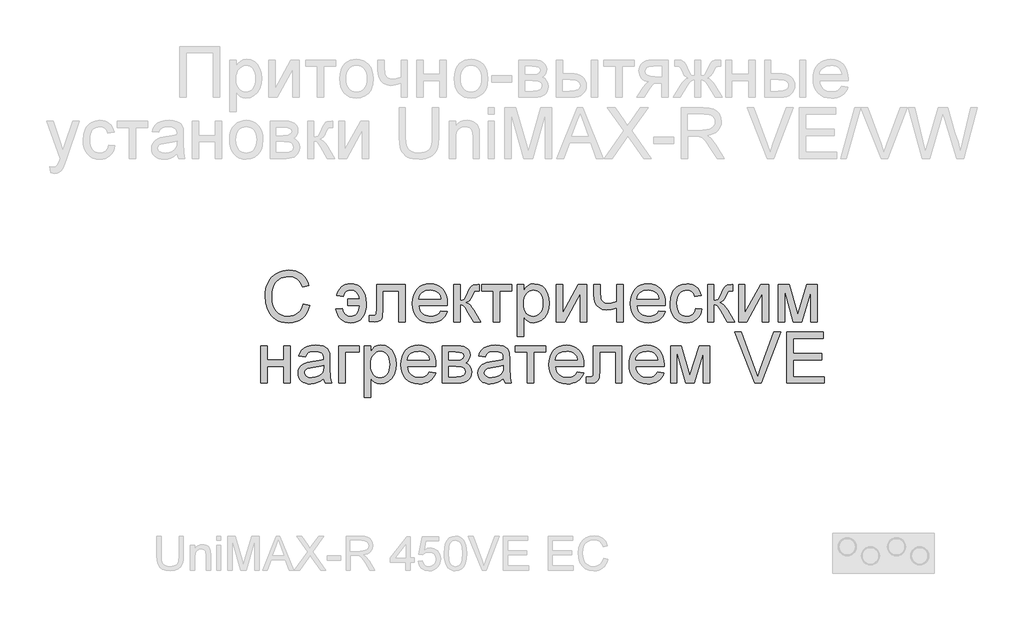
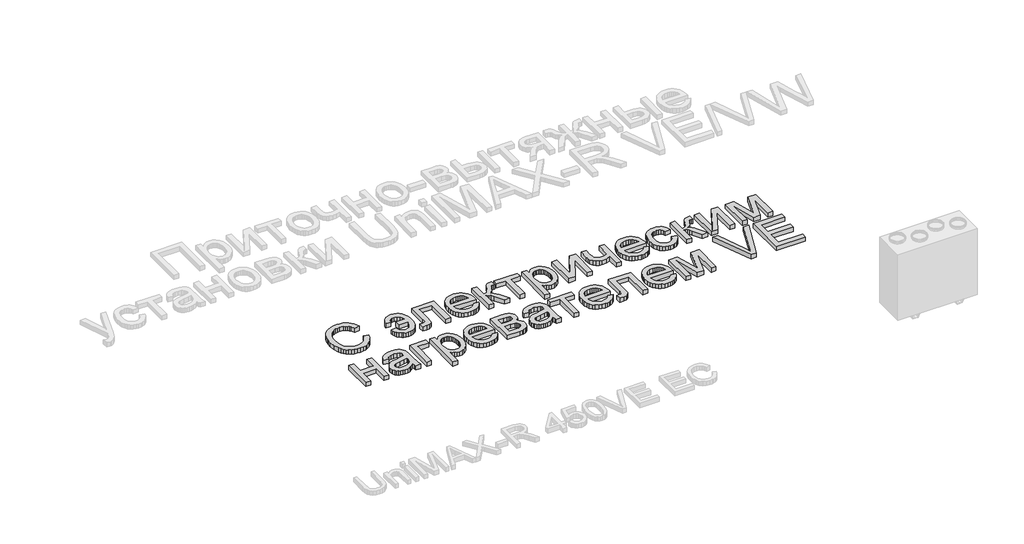
# One storey, part 49 of 74: 1 proxy.
"""IFC4 building model written with IfcOpenShell, lengths in millimetres."""

from ifc_helpers import new_model, si_unit, origin, origin_with_axes, place, context, project, spatial, polyline, outline, extrude, element, save

model = new_model("IFC4")

# Units and contexts
model_context = context("Model", 3, world=origin())
ifc_project = project(units=[si_unit("LENGTHUNIT", "METRE", prefix="MILLI")], contexts=[model_context])

# Site, building, storey
site = spatial("IfcSite", under=ifc_project)
building = spatial("IfcBuilding", under=site)
storey = spatial("IfcBuildingStorey", under=building, Elevation=0.0)

# Proxy
placement = place(None, origin())
element("IfcBuildingElementProxy", 1, Name="Generic Models", at=placement, inside=storey, context=model_context, shape_type="SweptSolid", body=[
    extrude(outline(polyline([(46357.0229457, -25678.9298031), (46413.2299636, -25693.4206749), (46402.107945, -25728.3751002), (46387.2945965, -25758.9177687), (46368.7899178, -25785.0486803), (46346.5939092, -25806.7678349), (46321.2074387, -25823.8419516), (46293.1313747, -25836.0377492), (46262.3657169, -25843.3552278), (46228.9104656, -25845.7943874), (46194.6352999, -25843.9487223), (46163.7152649, -25838.4117273), (46136.1503609, -25829.1834022), (46111.9405876, -25816.2637471), (46090.7531766, -25799.8448758), (46072.2553592, -25780.1189021), (46056.4471354, -25757.0858261), (46043.3285053, -25730.7456477), (46025.6677553, -25672.699826), (46019.7808386, -25610.5372794), (46021.4446816, -25576.6360495), (46026.4362106, -25544.9715735), (46034.7554256, -25515.5438514), (46046.4023266, -25488.3528832), (46061.1161876, -25463.848078), (46078.6362828, -25442.4788449), (46098.9626122, -25424.2451841), (46122.0951758, -25409.1470953), (46147.2483652, -25397.3080805), (46173.6365721, -25388.8516414), (46201.2597964, -25383.7777779), (46230.1180382, -25382.0864901), (46262.2662294, -25384.2752155), (46291.7454106, -25390.8413918), (46318.5555818, -25401.7850189), (46342.6967429, -25417.1060969), (46363.770944, -25436.3998145), (46381.380235, -25459.2613603), (46395.5246157, -25485.6907344), (46406.2040863, -25515.6879368), (46349.9970685, -25529.0810153), (46330.5112371, -25488.0921573), (46318.0924502, -25472.4245883), (46303.8897492, -25459.9749259), (46287.8207995, -25450.4893056), (46269.8032667, -25443.7138624), (46227.9224516, -25438.2935079), (46202.7075113, -25439.7961125), (46179.6469905, -25444.3039263), (46158.740889, -25451.8169494), (46139.9892069, -25462.3351816), (46123.6286558, -25475.3851996), (46109.8959476, -25490.4935802), (46098.791082, -25507.6603232), (46090.3140593, -25526.8854286), (46079.5694072, -25568.0252332), (46075.9878565, -25610.4275001), (46080.2280832, -25662.353124), (46092.9487632, -25707.2528707), (46102.6093444, -25726.6392146), (46114.6301812, -25743.4114381), (46129.0112737, -25757.5695413), (46145.7526218, -25769.1135241), (46183.0638722, -25784.4689082), (46223.3117197, -25789.5873695), (46247.7479128, -25787.8446226), (46270.2286616, -25782.6163819), (46290.753966, -25773.9026475), (46309.3238261, -25761.7034192), (46325.4991245, -25746.0735869), (46338.8407439, -25727.0680401), (46349.3486843, -25704.6867788), (46357.0229457, -25678.9298031)])), origin_with_axes(), (0.0, 0.0, 1.0), 50.0),
    extrude(outline(polyline([(46750.4720707, -25635.0180704), (46855.8602292, -25635.0180704), (46847.2013844, -25603.8819074), (46830.4463139, -25579.1952802), (46806.692811, -25563.0988857), (46777.038669, -25557.7334209), (46751.4600847, -25561.2463595), (46731.4802463, -25571.7851753), (46717.0991538, -25589.3498684), (46708.3168073, -25613.9404387), (46652.1097895, -25606.9145615), (46657.1150409, -25584.7562895), (46665.2146972, -25564.7181308), (46676.4087584, -25546.8000855), (46690.6972246, -25531.0021536), (46707.7576188, -25518.1065127), (46727.2674644, -25508.8953407), (46749.2267614, -25503.3686374), (46773.6355097, -25501.526403), (46804.0066479, -25504.394388), (46831.0089329, -25512.9983432), (46854.6423647, -25527.3382684), (46874.9069432, -25547.4141637), (46891.1645761, -25572.5124634), (46902.7771711, -25601.9196019), (46909.744728, -25635.6355791), (46912.067247, -25673.6603952), (46910.5886566, -25711.2735387), (46904.3964162, -25745.0718505), (46893.4905257, -25775.0553305), (46877.8709852, -25801.2239787), (46858.045524, -25822.2055534), (46834.5218716, -25836.6278132), (46807.3000279, -25844.4907578), (46776.379993, -25845.7943874), (46750.1427327, -25843.7394555), (46726.5401764, -25837.5746599), (46705.572324, -25827.3000006), (46687.2391756, -25812.9154775), (46671.8426243, -25795.1758236), (46659.6845633, -25774.8357718), (46650.7649926, -25751.8953221), (46645.0839122, -25726.3544744), (46701.2909301, -25719.3285972), (46710.1693335, -25750.0668101), (46725.4972727, -25772.0226764), (46747.2747477, -25785.1961962), (46775.5017583, -25789.5873695), (46792.359747, -25788.0504589), (46807.25543, -25783.4397269), (46820.1888076, -25775.7551737), (46831.1598795, -25764.9967992), (46847.3248861, -25734.2585863), (46855.8602292, -25691.2250883), (46750.4720707, -25691.2250883), (46750.4720707, -25635.0180704)])), origin_with_axes(), (0.0, 0.0, 1.0), 50.0),
    extrude(outline(polyline([(47003.403651, -25508.5522802), (47256.3352314, -25508.5522802), (47256.3352314, -25838.4391721), (47200.1282135, -25838.4391721), (47200.1282135, -25564.7592981), (47059.6106689, -25564.7592981), (47059.6106689, -25722.2926391), (47055.8232819, -25794.9665568), (47048.7287926, -25811.4197341), (47035.0200986, -25825.64988), (47014.2169152, -25835.4888526), (46985.8389579, -25838.7685101), (46940.1707559, -25835.9142475), (46940.1707559, -25782.5614923), (46965.3102229, -25782.5614923), (46990.7241382, -25779.1034433), (46997.077617, -25774.6299356), (47000.8787264, -25768.1255101), (47003.403651, -25719.1090385), (47003.403651, -25508.5522802)])), origin_with_axes(), (0.0, 0.0, 1.0), 50.0),
    extrude(outline(polyline([(47571.8410308, -25740.4062289), (47626.9502553, -25747.4321061), (47618.5006774, -25769.504613), (47607.0939187, -25788.9561383), (47592.7299793, -25805.7866821), (47575.4088591, -25819.9962444), (47555.3089495, -25831.2829319), (47532.6086421, -25839.3448516), (47507.3079367, -25844.1820034), (47479.4068335, -25845.7943874), (47444.531312, -25843.0121674), (47413.4568999, -25834.6655076), (47386.1835972, -25820.7544079), (47362.7114038, -25801.2788683), (47343.83622, -25776.7809243), (47330.3539458, -25747.8026114), (47322.2645813, -25714.3439294), (47319.5681264, -25676.4048785), (47322.2920261, -25637.179351), (47330.4637251, -25602.6057227), (47344.0832235, -25572.6839936), (47363.1505211, -25547.4141637), (47386.5609636, -25527.3382684), (47413.2098964, -25512.9983432), (47443.0973195, -25504.394388), (47476.2232328, -25501.526403), (47508.2822283, -25504.3875268), (47537.2742637, -25512.9708983), (47563.199339, -25527.2765175), (47586.0574542, -25547.3043843), (47604.71651, -25572.5193246), (47618.044407, -25602.386164), (47626.0411452, -25636.9049027), (47628.7067246, -25676.0755405), (47628.3773866, -25691.2250883), (47375.7751443, -25691.2250883), (47379.0307876, -25713.654378), (47385.5043376, -25733.2980171), (47395.1957942, -25750.1560058), (47408.1051575, -25764.2283439), (47423.5188618, -25775.3229176), (47440.7233414, -25783.2476131), (47459.7185964, -25788.0024304), (47480.5046268, -25789.5873695), (47510.4194947, -25786.6507724), (47535.6138513, -25777.840981), (47556.0876967, -25762.6090987), (47571.8410308, -25740.4062289)]), holes=[polyline([(47375.7751443, -25635.0180704), (47572.4997068, -25635.0180704), (47564.8974881, -25605.3227612), (47549.9949438, -25584.0804605), (47534.6670046, -25572.5536306), (47517.2258132, -25564.3201808), (47497.6713698, -25559.3801108), (47476.0036742, -25557.7334209), (47438.1160823, -25562.9891064), (47406.7878055, -25578.7561629), (47394.331282, -25590.1560604), (47385.0103306, -25603.3330108), (47378.8249514, -25618.2870141), (47375.7751443, -25635.0180704)])]), origin_with_axes(), (0.0, 0.0, 1.0), 50.0),
    extrude(outline(polyline([(47684.9137425, -25508.5522802), (47741.1207603, -25508.5522802), (47741.1207603, -25649.0698249), (47763.9823062, -25646.5449002), (47778.7750711, -25638.9701263), (47791.8662564, -25619.2098466), (47809.6230633, -25580.1284045), (47823.9355437, -25548.1688966), (47835.2565373, -25529.3554636), (47845.822798, -25519.1048185), (47857.8710796, -25512.8336742), (47898.9834394, -25508.5522802), (47909.7418139, -25508.5522802), (47909.7418139, -25565.0886361), (47894.5922661, -25564.7592981), (47877.027573, -25566.2413191), (47867.1474332, -25570.687382), (47847.8262708, -25607.6830168), (47835.9563805, -25632.3421992), (47825.1568388, -25647.6975832), (47812.0793759, -25657.9482283), (47793.3757222, -25667.2931939), (47811.1874188, -25675.204167), (47828.8344464, -25689.1667258), (47846.316805, -25709.1808702), (47863.6344946, -25735.2466003), (47923.7935684, -25838.7685101), (47859.9019973, -25838.7685101), (47800.9504961, -25737.4421869), (47785.032493, -25710.4776386), (47771.3100766, -25694.5733579), (47757.4504359, -25686.7927477), (47741.1207603, -25684.199211), (47741.1207603, -25838.7685101), (47684.9137425, -25838.7685101), (47684.9137425, -25508.5522802)])), origin_with_axes(), (0.0, 0.0, 1.0), 50.0),
    extrude(outline(polyline([(47930.8194456, -25508.5522802), (48197.8027804, -25508.5522802), (48197.8027804, -25564.7592981), (48092.4146219, -25564.7592981), (48092.4146219, -25838.7685101), (48036.2076041, -25838.7685101), (48036.2076041, -25564.7592981), (47930.8194456, -25564.7592981), (47930.8194456, -25508.5522802)])), origin_with_axes(), (0.0, 0.0, 1.0), 50.0),
    extrude(outline(polyline([(48246.983921, -25965.2343003), (48246.983921, -25508.5522802), (48303.1909389, -25508.5522802), (48303.1909389, -25563.6615048), (48321.5240873, -25536.4773978), (48342.0528223, -25517.0601784), (48365.9847166, -25505.4098469), (48394.5273429, -25501.526403), (48432.5384365, -25506.9604799), (48465.7741292, -25523.2627107), (48492.8347344, -25549.4450813), (48512.3205658, -25584.5195778), (48524.0943992, -25625.9338307), (48528.0190103, -25671.1354706), (48523.5866697, -25719.2050954), (48510.2896482, -25762.1974262), (48488.5533405, -25797.9305987), (48458.8031416, -25824.2227487), (48424.15404, -25840.4014777), (48387.7210243, -25845.7943874), (48361.8817141, -25842.1853918), (48338.814332, -25831.3584052), (48319.0677747, -25815.0150072), (48303.1909389, -25794.8567774), (48303.1909389, -25965.2343003), (48246.983921, -25965.2343003)]), holes=[polyline([(48303.1909389, -25676.2950991), (48304.7106965, -25703.3831492), (48309.2699694, -25726.6838124), (48316.8687575, -25746.1970886), (48327.5070608, -25761.9229779), (48340.313506, -25774.0261492), (48354.4167195, -25782.6712716), (48369.8167014, -25787.858345), (48386.5134517, -25789.5873695), (48403.4503442, -25787.7965942), (48419.1316356, -25782.4242681), (48433.5573259, -25773.4703914), (48446.7274151, -25760.9349639), (48457.7019177, -25744.6395944), (48465.5408481, -25724.4058913), (48470.2442063, -25700.2338547), (48471.8119924, -25672.1234845), (48470.281943, -25645.2687155), (48465.6917947, -25622.0092196), (48458.0415475, -25602.3449968), (48447.3312014, -25586.2760471), (48434.4938808, -25573.7886481), (48420.46271, -25564.8690774), (48405.2376889, -25559.517335), (48388.8188176, -25557.7334209), (48372.4514054, -25559.6305449), (48357.0514235, -25565.3219172), (48342.618872, -25574.8075376), (48329.1537508, -25588.0874061), (48317.7950206, -25604.9831314), (48309.6816418, -25625.316322), (48304.8136146, -25649.0869779), (48303.1909389, -25676.2950991)])]), origin_with_axes(), (0.0, 0.0, 1.0), 50.0),
    extrude(outline(polyline([(48591.2519054, -25508.5522802), (48647.4589232, -25508.5522802), (48647.4589232, -25760.3860673), (48785.5613225, -25508.5522802), (48858.2352401, -25508.5522802), (48858.2352401, -25838.7685101), (48802.0282223, -25838.7685101), (48802.0282223, -25588.4716337), (48664.8040576, -25838.7685101), (48591.2519054, -25838.7685101), (48591.2519054, -25508.5522802)])), origin_with_axes(), (0.0, 0.0, 1.0), 50.0),
    extrude(outline(polyline([(48921.4681352, -25508.5522802), (48977.6751531, -25508.5522802), (48977.6751531, -25571.8949547), (48982.2309954, -25631.2855731), (48989.9841607, -25648.548373), (49004.131972, -25663.4509173), (49023.6726931, -25673.7427297), (49047.6045874, -25677.1733338), (49081.9929631, -25672.9193847), (49125.2185749, -25660.1575374), (49125.2185749, -25508.5522802), (49181.4255928, -25508.5522802), (49181.4255928, -25838.7685101), (49125.2185749, -25838.7685101), (49125.2185749, -25714.0591893), (49077.245007, -25728.5500611), (49032.564819, -25733.3803516), (48998.5743934, -25728.3442248), (48968.8379169, -25713.2358443), (48945.6607555, -25690.8271382), (48931.3482751, -25663.8900347), (48923.9381702, -25633.2341563), (48921.4681352, -25599.6691256), (48921.4681352, -25508.5522802)])), origin_with_axes(), (0.0, 0.0, 1.0), 50.0),
    extrude(outline(polyline([(49496.9313922, -25740.4062289), (49552.0406168, -25747.4321061), (49543.5910388, -25769.504613), (49532.1842801, -25788.9561383), (49517.8203407, -25805.7866821), (49500.4992205, -25819.9962444), (49480.399311, -25831.2829319), (49457.6990035, -25839.3448516), (49432.3982982, -25844.1820034), (49404.4971949, -25845.7943874), (49369.6216734, -25843.0121674), (49338.5472614, -25834.6655076), (49311.2739586, -25820.7544079), (49287.8017653, -25801.2788683), (49268.9265814, -25776.7809243), (49255.4443072, -25747.8026114), (49247.3549427, -25714.3439294), (49244.6584879, -25676.4048785), (49247.3823876, -25637.179351), (49255.5540866, -25602.6057227), (49269.1735849, -25572.6839936), (49288.2408826, -25547.4141637), (49311.6513251, -25527.3382684), (49338.3002579, -25512.9983432), (49368.1876809, -25504.394388), (49401.3135943, -25501.526403), (49433.3725898, -25504.3875268), (49462.3646251, -25512.9708983), (49488.2897005, -25527.2765175), (49511.1478157, -25547.3043843), (49529.8068715, -25572.5193246), (49543.1347685, -25602.386164), (49551.1315067, -25636.9049027), (49553.7970861, -25676.0755405), (49553.4677481, -25691.2250883), (49300.8655057, -25691.2250883), (49304.121149, -25713.654378), (49310.594699, -25733.2980171), (49320.2861556, -25750.1560058), (49333.1955189, -25764.2283439), (49348.6092232, -25775.3229176), (49365.8137029, -25783.2476131), (49384.8089579, -25788.0024304), (49405.5949882, -25789.5873695), (49435.5098561, -25786.6507724), (49460.7042128, -25777.840981), (49481.1780581, -25762.6090987), (49496.9313922, -25740.4062289)]), holes=[polyline([(49300.8655057, -25635.0180704), (49497.5900682, -25635.0180704), (49489.9878495, -25605.3227612), (49475.0853052, -25584.0804605), (49459.757366, -25572.5536306), (49442.3161747, -25564.3201808), (49422.7617312, -25559.3801108), (49401.0940356, -25557.7334209), (49363.2064437, -25562.9891064), (49331.878167, -25578.7561629), (49319.4216434, -25590.1560604), (49310.100692, -25603.3330108), (49303.9153128, -25618.2870141), (49300.8655057, -25635.0180704)])]), origin_with_axes(), (0.0, 0.0, 1.0), 50.0),
    extrude(outline(polyline([(49820.7804209, -25719.3285972), (49876.9874387, -25726.3544744), (49870.8741022, -25752.8764748), (49861.3164391, -25776.3452376), (49848.3144495, -25796.7607627), (49831.8681334, -25814.1230501), (49812.6704727, -25827.9792602), (49791.4144496, -25837.8765531), (49768.100064, -25843.8149288), (49742.727316, -25845.7943874), (49711.2034948, -25843.032751), (49682.9387474, -25834.7478421), (49657.933074, -25820.9396605), (49636.1864745, -25801.6082063), (49618.5840448, -25777.1171235), (49606.0108807, -25747.8300562), (49598.4669823, -25713.7470043), (49595.9523495, -25674.8679678), (49600.2474658, -25624.8497598), (49613.1328149, -25581.5006462), (49622.8482857, -25562.7455335), (49634.8142329, -25546.4947618), (49649.0306564, -25532.7483311), (49665.4975561, -25521.5062414), (49702.2050202, -25506.5213626), (49741.9588607, -25501.526403), (49766.895922, -25503.2417051), (49789.4521441, -25508.3876112), (49809.6275269, -25516.9641215), (49827.4220704, -25528.9712359), (49842.5338816, -25544.1345061), (49854.6610671, -25562.1794838), (49863.8036271, -25583.1061689), (49869.9615615, -25606.9145615), (49813.7545436, -25613.9404387), (49803.5587882, -25589.4184805), (49787.6819523, -25571.840065), (49767.0022707, -25561.2600819), (49742.397978, -25557.7334209), (49723.2998049, -25559.4693065), (49706.0747416, -25564.6769636), (49690.7227882, -25573.356392), (49677.2439446, -25585.5075918), (49666.269442, -25601.4118725), (49658.4305116, -25621.3505436), (49653.7271534, -25645.3236052), (49652.1593673, -25673.3310572), (49653.6928474, -25701.7604735), (49658.2932875, -25726.011414), (49665.9606877, -25746.0838787), (49676.695048, -25761.9778676), (49689.9063044, -25774.0570247), (49705.0043931, -25782.684994), (49721.9893141, -25787.8617756), (49740.8610674, -25789.5873695), (49769.9663127, -25785.2785307), (49793.8295949, -25772.3520144), (49811.1884518, -25750.4784826), (49820.7804209, -25719.3285972)])), origin_with_axes(), (0.0, 0.0, 1.0), 50.0),
    extrude(outline(polyline([(49926.1685793, -25508.5522802), (49982.3755972, -25508.5522802), (49982.3755972, -25649.0698249), (50005.237143, -25646.5449002), (50020.029908, -25638.9701263), (50033.1210933, -25619.2098466), (50050.8779002, -25580.1284045), (50065.1903806, -25548.1688966), (50076.5113742, -25529.3554636), (50087.0776348, -25519.1048185), (50099.1259165, -25512.8336742), (50140.2382762, -25508.5522802), (50150.9966507, -25508.5522802), (50150.9966507, -25565.0886361), (50135.847103, -25564.7592981), (50118.2824099, -25566.2413191), (50108.40227, -25570.687382), (50089.0811076, -25607.6830168), (50077.2112174, -25632.3421992), (50066.4116756, -25647.6975832), (50053.3342127, -25657.9482283), (50034.6305591, -25667.2931939), (50052.4422557, -25675.204167), (50070.0892833, -25689.1667258), (50087.5716418, -25709.1808702), (50104.8893314, -25735.2466003), (50165.0484052, -25838.7685101), (50101.1568341, -25838.7685101), (50042.205333, -25737.4421869), (50026.2873299, -25710.4776386), (50012.5649134, -25694.5733579), (49998.7052728, -25686.7927477), (49982.3755972, -25684.199211), (49982.3755972, -25838.7685101), (49926.1685793, -25838.7685101), (49926.1685793, -25508.5522802)])), origin_with_axes(), (0.0, 0.0, 1.0), 50.0),
    extrude(outline(polyline([(50200.1777914, -25508.5522802), (50256.3848092, -25508.5522802), (50256.3848092, -25760.3860673), (50394.4872086, -25508.5522802), (50467.1611262, -25508.5522802), (50467.1611262, -25838.7685101), (50410.9541083, -25838.7685101), (50410.9541083, -25588.4716337), (50273.7299436, -25838.7685101), (50200.1777914, -25838.7685101), (50200.1777914, -25508.5522802)])), origin_with_axes(), (0.0, 0.0, 1.0), 50.0),
    extrude(outline(polyline([(50551.4716529, -25508.5522802), (50648.1872442, -25508.5522802), (50722.7274105, -25772.9009111), (50803.0858813, -25508.5522802), (50895.7396373, -25508.5522802), (50895.7396373, -25838.7685101), (50839.5326194, -25838.7685101), (50839.5326194, -25572.8829686), (50758.7350313, -25838.7685101), (50684.9633203, -25838.7685101), (50607.6786708, -25560.1485662), (50607.6786708, -25838.7685101), (50551.4716529, -25838.7685101), (50551.4716529, -25508.5522802)])), origin_with_axes(), (0.0, 0.0, 1.0), 50.0),
    extrude(outline(polyline([(45981.1385138, -26048.9843634), (46037.3455317, -26048.9843634), (46037.3455317, -26175.4501536), (46184.8889536, -26175.4501536), (46184.8889536, -26048.9843634), (46241.0959714, -26048.9843634), (46241.0959714, -26379.2005933), (46184.8889536, -26379.2005933), (46184.8889536, -26231.6571714), (46037.3455317, -26231.6571714), (46037.3455317, -26379.2005933), (45981.1385138, -26379.2005933), (45981.1385138, -26048.9843634)])), origin_with_axes(), (0.0, 0.0, 1.0), 50.0),
    extrude(outline(polyline([(46536.1828151, -26337.0453299), (46509.3280461, -26360.0715447), (46481.6773769, -26375.138758), (46452.5995764, -26383.4545424), (46421.4634135, -26386.2264705), (46396.4371564, -26384.5591969), (46374.4915819, -26379.5573761), (46355.6266899, -26371.2210081), (46339.8424803, -26359.5500929), (46327.3790956, -26345.285641), (46318.4766779, -26329.1686629), (46313.1352273, -26311.1991585), (46311.3547437, -26291.3771279), (46314.0443373, -26268.0764647), (46322.1131182, -26246.9164985), (46334.55935, -26228.8029088), (46350.3812962, -26214.641375), (46368.9751705, -26203.9378902), (46389.7371866, -26196.1984473), (46438.3694305, -26187.7454387), (46495.8389107, -26178.8533129), (46535.8534771, -26168.4242764), (46536.1828151, -26155.9094325), (46532.3130937, -26130.8248552), (46520.7039294, -26114.4128451), (46494.7411174, -26102.2273393), (46458.5688276, -26098.165504), (46425.0861314, -26100.8688201), (46401.7031337, -26108.9787682), (46385.7576858, -26123.9773694), (46374.5876388, -26147.3466447), (46318.380621, -26140.3207674), (46328.1372591, -26109.5825545), (46342.6967429, -26085.4311016), (46363.4175918, -26066.960729), (46391.6583249, -26053.2657574), (46426.1976471, -26044.785304), (46465.8142635, -26041.9584862), (46503.8116347, -26044.455966), (46533.9323388, -26051.9484054), (46556.6429381, -26063.2145093), (46572.4099946, -26077.0329827), (46582.866476, -26094.1173912), (46589.6453497, -26115.1813005), (46592.389833, -26164.3624411), (46592.389833, -26234.2918754), (46595.2440956, -26331.940591), (46606.4415874, -26379.2005933), (46550.2345696, -26379.2005933), (46541.2326644, -26359.6598722), (46536.1828151, -26337.0453299)]), holes=[polyline([(46536.1828151, -26224.6312942), (46498.418725, -26233.9899822), (46445.5050871, -26241.8666493), (46397.1472915, -26250.9783338), (46384.5638356, -26257.2083109), (46375.2463148, -26265.7985436), (46369.4828999, -26276.090356), (46367.5617616, -26287.425072), (46371.7470986, -26304.1389752), (46384.3031097, -26317.8339469), (46404.9553464, -26326.9730762), (46433.4293606, -26330.0194527), (46463.6186768, -26326.6574606), (46490.2950545, -26316.5714845), (46511.9215828, -26301.7101075), (46526.9613513, -26284.0219127), (46533.6304457, -26265.7985436), (46535.8534771, -26240.5492973), (46536.1828151, -26224.6312942)])]), origin_with_axes(), (0.0, 0.0, 1.0), 50.0),
    extrude(outline(polyline([(46669.6744825, -26048.9843634), (46852.3472905, -26048.9843634), (46852.3472905, -26105.1913813), (46725.8815004, -26105.1913813), (46725.8815004, -26379.2005933), (46669.6744825, -26379.2005933), (46669.6744825, -26048.9843634)])), origin_with_axes(), (0.0, 0.0, 1.0), 50.0),
    extrude(outline(polyline([(46894.5025539, -26505.6663835), (46894.5025539, -26048.9843634), (46950.7095718, -26048.9843634), (46950.7095718, -26104.093588), (46969.0427202, -26076.9094809), (46989.5714552, -26057.4922616), (47013.5033495, -26045.84193), (47042.0459758, -26041.9584862), (47080.0570694, -26047.3925631), (47113.2927621, -26063.6947939), (47140.3533674, -26089.8771645), (47159.8391988, -26124.951661), (47171.6130321, -26166.3659139), (47175.5376432, -26211.5675537), (47171.1053027, -26259.6371786), (47157.8082811, -26302.6295094), (47136.0719734, -26338.3626819), (47106.3217745, -26364.6548318), (47071.672673, -26380.8335609), (47035.2396572, -26386.2264705), (47009.400347, -26382.617475), (46986.3329649, -26371.7904884), (46966.5864076, -26355.4470904), (46950.7095718, -26335.2888606), (46950.7095718, -26505.6663835), (46894.5025539, -26505.6663835)]), holes=[polyline([(46950.7095718, -26216.7271823), (46952.2293294, -26243.8152324), (46956.7886023, -26267.1158956), (46964.3873904, -26286.6291718), (46975.0256938, -26302.3550611), (46987.8321389, -26314.4582324), (47001.9353525, -26323.1033548), (47017.3353343, -26328.2904282), (47034.0320846, -26330.0194527), (47050.9689771, -26328.2286773), (47066.6502685, -26322.8563513), (47081.0759588, -26313.9024745), (47094.246048, -26301.3670471), (47105.2205506, -26285.0716775), (47113.059481, -26264.8379745), (47117.7628393, -26240.6659378), (47119.3306253, -26212.5555677), (47117.8005759, -26185.7007987), (47113.2104276, -26162.4413028), (47105.5601804, -26142.77708), (47094.8498344, -26126.7081303), (47082.0125138, -26114.2207313), (47067.9813429, -26105.3011606), (47052.7563219, -26099.9494182), (47036.3374505, -26098.165504), (47019.9700383, -26100.0626281), (47004.5700564, -26105.7540003), (46990.1375049, -26115.2396207), (46976.6723837, -26128.5194893), (46965.3136535, -26145.4152145), (46957.2002748, -26165.7484051), (46952.3322475, -26189.5190611), (46950.7095718, -26216.7271823)])]), origin_with_axes(), (0.0, 0.0, 1.0), 50.0),
    extrude(outline(polyline([(47469.9658109, -26280.8383121), (47525.0750355, -26287.8641893), (47516.6254575, -26309.9366962), (47505.2186988, -26329.3882215), (47490.8547594, -26346.2187653), (47473.5336392, -26360.4283276), (47453.4337297, -26371.7150151), (47430.7334223, -26379.7769348), (47405.4327169, -26384.6140866), (47377.5316136, -26386.2264705), (47342.6560922, -26383.4442506), (47311.5816801, -26375.0975908), (47284.3083773, -26361.1864911), (47260.836184, -26341.7109515), (47241.9610001, -26317.2130075), (47228.4787259, -26288.2346945), (47220.3893614, -26254.7760126), (47217.6929066, -26216.8369617), (47220.4168063, -26177.6114342), (47228.5885053, -26143.0378059), (47242.2080036, -26113.1160768), (47261.2753013, -26087.8462469), (47284.6857438, -26067.7703516), (47311.3346766, -26053.4304264), (47341.2220996, -26044.8264712), (47374.348013, -26041.9584862), (47406.4070085, -26044.81961), (47435.3990438, -26053.4029815), (47461.3241192, -26067.7086007), (47484.1822344, -26087.7364675), (47502.8412902, -26112.9514078), (47516.1691872, -26142.8182472), (47524.1659254, -26177.3369858), (47526.8315048, -26216.5076237), (47526.5021668, -26231.6571714), (47273.8999244, -26231.6571714), (47277.1555677, -26254.0864612), (47283.6291177, -26273.7301003), (47293.3205743, -26290.588089), (47306.2299376, -26304.660427), (47321.6436419, -26315.7550008), (47338.8481216, -26323.6796963), (47357.8433766, -26328.4345136), (47378.6294069, -26330.0194527), (47408.5442748, -26327.0828556), (47433.7386315, -26318.2730642), (47454.2124768, -26303.0411819), (47469.9658109, -26280.8383121)]), holes=[polyline([(47273.8999244, -26175.4501536), (47470.6244869, -26175.4501536), (47463.0222682, -26145.7548443), (47448.1197239, -26124.5125437), (47432.7917847, -26112.9857138), (47415.3505934, -26104.7522639), (47395.7961499, -26099.812194), (47374.1284543, -26098.165504), (47336.2408625, -26103.4211895), (47304.9125857, -26119.1882461), (47292.4560621, -26130.5881435), (47283.1351107, -26143.765094), (47276.9497315, -26158.7190973), (47273.8999244, -26175.4501536)])]), origin_with_axes(), (0.0, 0.0, 1.0), 50.0),
    extrude(outline(polyline([(47583.0385226, -26048.9843634), (47706.8696088, -26048.9843634), (47746.678339, -26050.8643345), (47774.7681255, -26056.5042476), (47795.4340847, -26067.1528428), (47812.971333, -26084.0588599), (47824.9510025, -26106.0833383), (47828.9442257, -26132.0873175), (47826.5290804, -26153.0414475), (47819.2836445, -26171.11387), (47807.1804732, -26186.3869195), (47790.1921216, -26198.9429306), (47810.995305, -26210.620707), (47827.9562117, -26229.4066951), (47839.2360381, -26253.818874), (47842.9959802, -26282.3752227), (47839.8741304, -26305.3808539), (47833.4726232, -26325.2166069), (47823.7914583, -26341.8824817), (47810.830636, -26355.3784783), (47794.5695725, -26365.8006536), (47774.9876842, -26373.2450646), (47752.0849711, -26377.7117111), (47725.8614332, -26379.2005933), (47583.0385226, -26379.2005933), (47583.0385226, -26048.9843634)]), holes=[polyline([(47639.2455405, -26175.4501536), (47694.7938823, -26175.4501536), (47740.6267533, -26172.595891), (47762.9119577, -26161.1788405), (47770.2808953, -26151.7378179), (47772.7372079, -26140.5403261), (47768.4283691, -26123.7715332), (47755.5018528, -26112.9857138), (47732.1463, -26107.1399644), (47696.5503516, -26105.1913813), (47639.2455405, -26105.1913813), (47639.2455405, -26175.4501536)]), polyline([(47639.2455405, -26322.9935754), (47708.1869608, -26322.9935754), (47745.7589371, -26320.4549284), (47769.3340486, -26312.8389873), (47781.9861166, -26298.993069), (47786.7889623, -26277.7644908), (47784.3875395, -26263.6990139), (47777.1832708, -26250.7038855), (47766.1230031, -26240.5355749), (47752.1535832, -26234.9505514), (47702.6979942, -26231.6571714), (47639.2455405, -26231.6571714), (47639.2455405, -26322.9935754)])]), origin_with_axes(), (0.0, 0.0, 1.0), 50.0),
    extrude(outline(polyline([(48124.0310695, -26337.0453299), (48097.1763004, -26360.0715447), (48069.5256312, -26375.138758), (48040.4478307, -26383.4545424), (48009.3116678, -26386.2264705), (47984.2854108, -26384.5591969), (47962.3398362, -26379.5573761), (47943.4749442, -26371.2210081), (47927.6907346, -26359.5500929), (47915.2273499, -26345.285641), (47906.3249322, -26329.1686629), (47900.9834816, -26311.1991585), (47899.202998, -26291.3771279), (47901.8925917, -26268.0764647), (47909.9613726, -26246.9164985), (47922.4076043, -26228.8029088), (47938.2295505, -26214.641375), (47956.8234248, -26203.9378902), (47977.5854409, -26196.1984473), (48026.2176849, -26187.7454387), (48083.687165, -26178.8533129), (48123.7017315, -26168.4242764), (48124.0310695, -26155.9094325), (48120.161348, -26130.8248552), (48108.5521837, -26114.4128451), (48082.5893717, -26102.2273393), (48046.4170819, -26098.165504), (48012.9343857, -26100.8688201), (47989.5513881, -26108.9787682), (47973.6059401, -26123.9773694), (47962.4358931, -26147.3466447), (47906.2288753, -26140.3207674), (47915.9855134, -26109.5825545), (47930.5449973, -26085.4311016), (47951.2658461, -26066.960729), (47979.5065792, -26053.2657574), (48014.0459015, -26044.785304), (48053.6625178, -26041.9584862), (48091.659889, -26044.455966), (48121.7805932, -26051.9484054), (48144.4911924, -26063.2145093), (48160.2582489, -26077.0329827), (48170.7147303, -26094.1173912), (48177.493604, -26115.1813005), (48180.2380873, -26164.3624411), (48180.2380873, -26234.2918754), (48183.0923499, -26331.940591), (48194.2898418, -26379.2005933), (48138.0828239, -26379.2005933), (48129.0809187, -26359.6598722), (48124.0310695, -26337.0453299)]), holes=[polyline([(48124.0310695, -26224.6312942), (48086.2669793, -26233.9899822), (48033.3533414, -26241.8666493), (47984.9955458, -26250.9783338), (47972.4120899, -26257.2083109), (47963.0945691, -26265.7985436), (47957.3311542, -26276.090356), (47955.4100159, -26287.425072), (47959.5953529, -26304.1389752), (47972.151364, -26317.8339469), (47992.8036008, -26326.9730762), (48021.2776149, -26330.0194527), (48051.4669312, -26326.6574606), (48078.1433088, -26316.5714845), (48099.7698371, -26301.7101075), (48114.8096056, -26284.0219127), (48121.4787, -26265.7985436), (48123.7017315, -26240.5492973), (48124.0310695, -26224.6312942)])]), origin_with_axes(), (0.0, 0.0, 1.0), 50.0),
    extrude(outline(polyline([(48229.4192279, -26048.9843634), (48496.4025627, -26048.9843634), (48496.4025627, -26105.1913813), (48391.0144043, -26105.1913813), (48391.0144043, -26379.2005933), (48334.8073864, -26379.2005933), (48334.8073864, -26105.1913813), (48229.4192279, -26105.1913813), (48229.4192279, -26048.9843634)])), origin_with_axes(), (0.0, 0.0, 1.0), 50.0),
    extrude(outline(polyline([(48776.778976, -26280.8383121), (48831.8882005, -26287.8641893), (48823.4386226, -26309.9366962), (48812.0318639, -26329.3882215), (48797.6679245, -26346.2187653), (48780.3468043, -26360.4283276), (48760.2468948, -26371.7150151), (48737.5465873, -26379.7769348), (48712.245882, -26384.6140866), (48684.3447787, -26386.2264705), (48649.4692572, -26383.4442506), (48618.3948451, -26375.0975908), (48591.1215424, -26361.1864911), (48567.649349, -26341.7109515), (48548.7741652, -26317.2130075), (48535.291891, -26288.2346945), (48527.2025265, -26254.7760126), (48524.5060717, -26216.8369617), (48527.2299713, -26177.6114342), (48535.4016703, -26143.0378059), (48549.0211687, -26113.1160768), (48568.0884664, -26087.8462469), (48591.4989088, -26067.7703516), (48618.1478416, -26053.4304264), (48648.0352647, -26044.8264712), (48681.161178, -26041.9584862), (48713.2201735, -26044.81961), (48742.2122089, -26053.4029815), (48768.1372842, -26067.7086007), (48790.9953995, -26087.7364675), (48809.6544552, -26112.9514078), (48822.9823522, -26142.8182472), (48830.9790904, -26177.3369858), (48833.6446698, -26216.5076237), (48833.3153318, -26231.6571714), (48580.7130895, -26231.6571714), (48583.9687328, -26254.0864612), (48590.4422828, -26273.7301003), (48600.1337394, -26290.588089), (48613.0431027, -26304.660427), (48628.456807, -26315.7550008), (48645.6612866, -26323.6796963), (48664.6565416, -26328.4345136), (48685.442572, -26330.0194527), (48715.3574399, -26327.0828556), (48740.5517965, -26318.2730642), (48761.0256419, -26303.0411819), (48776.778976, -26280.8383121)]), holes=[polyline([(48580.7130895, -26175.4501536), (48777.437652, -26175.4501536), (48769.8354333, -26145.7548443), (48754.932889, -26124.5125437), (48739.6049498, -26112.9857138), (48722.1637585, -26104.7522639), (48702.609315, -26099.812194), (48680.9416194, -26098.165504), (48643.0540275, -26103.4211895), (48611.7257507, -26119.1882461), (48599.2692272, -26130.5881435), (48589.9482758, -26143.765094), (48583.7628966, -26158.7190973), (48580.7130895, -26175.4501536)])]), origin_with_axes(), (0.0, 0.0, 1.0), 50.0),
    extrude(outline(polyline([(48917.9551966, -26048.9843634), (49170.886777, -26048.9843634), (49170.886777, -26378.8712553), (49114.6797591, -26378.8712553), (49114.6797591, -26105.1913813), (48974.1622145, -26105.1913813), (48974.1622145, -26262.7247223), (48970.3748275, -26335.3986399), (48963.2803382, -26351.8518173), (48949.5716442, -26366.0819632), (48928.7684608, -26375.9209358), (48900.3905035, -26379.2005933), (48854.7223015, -26376.3463307), (48854.7223015, -26322.9935754), (48879.8617685, -26322.9935754), (48905.2756838, -26319.5355265), (48911.6291626, -26315.0620187), (48915.430272, -26308.5575933), (48917.9551966, -26259.5411217), (48917.9551966, -26048.9843634)])), origin_with_axes(), (0.0, 0.0, 1.0), 50.0),
    extrude(outline(polyline([(49486.3925764, -26280.8383121), (49541.5018009, -26287.8641893), (49533.052223, -26309.9366962), (49521.6454643, -26329.3882215), (49507.2815248, -26346.2187653), (49489.9604047, -26360.4283276), (49469.8604951, -26371.7150151), (49447.1601877, -26379.7769348), (49421.8594823, -26384.6140866), (49393.9583791, -26386.2264705), (49359.0828576, -26383.4442506), (49328.0084455, -26375.0975908), (49300.7351428, -26361.1864911), (49277.2629494, -26341.7109515), (49258.3877656, -26317.2130075), (49244.9054914, -26288.2346945), (49236.8161269, -26254.7760126), (49234.119672, -26216.8369617), (49236.8435717, -26177.6114342), (49245.0152707, -26143.0378059), (49258.6347691, -26113.1160768), (49277.7020667, -26087.8462469), (49301.1125092, -26067.7703516), (49327.761442, -26053.4304264), (49357.6488651, -26044.8264712), (49390.7747784, -26041.9584862), (49422.8337739, -26044.81961), (49451.8258093, -26053.4029815), (49477.7508846, -26067.7086007), (49500.6089998, -26087.7364675), (49519.2680556, -26112.9514078), (49532.5959526, -26142.8182472), (49540.5926908, -26177.3369858), (49543.2582702, -26216.5076237), (49542.9289322, -26231.6571714), (49290.3266899, -26231.6571714), (49293.5823332, -26254.0864612), (49300.0558832, -26273.7301003), (49309.7473398, -26290.588089), (49322.6567031, -26304.660427), (49338.0704074, -26315.7550008), (49355.274887, -26323.6796963), (49374.270142, -26328.4345136), (49395.0561724, -26330.0194527), (49424.9710403, -26327.0828556), (49450.1653969, -26318.2730642), (49470.6392423, -26303.0411819), (49486.3925764, -26280.8383121)]), holes=[polyline([(49290.3266899, -26175.4501536), (49487.0512524, -26175.4501536), (49479.4490336, -26145.7548443), (49464.5464894, -26124.5125437), (49449.2185502, -26112.9857138), (49431.7773588, -26104.7522639), (49412.2229154, -26099.812194), (49390.5552198, -26098.165504), (49352.6676279, -26103.4211895), (49321.3393511, -26119.1882461), (49308.8828276, -26130.5881435), (49299.5618762, -26143.765094), (49293.3764969, -26158.7190973), (49290.3266899, -26175.4501536)])]), origin_with_axes(), (0.0, 0.0, 1.0), 50.0),
    extrude(outline(polyline([(49599.4652881, -26048.9843634), (49696.1808793, -26048.9843634), (49770.7210456, -26313.3329943), (49851.0795164, -26048.9843634), (49943.7332724, -26048.9843634), (49943.7332724, -26379.2005933), (49887.5262546, -26379.2005933), (49887.5262546, -26113.3150518), (49806.7286664, -26379.2005933), (49732.9569555, -26379.2005933), (49655.6723059, -26100.5806493), (49655.6723059, -26379.2005933), (49599.4652881, -26379.2005933), (49599.4652881, -26048.9843634)])), origin_with_axes(), (0.0, 0.0, 1.0), 50.0),
    extrude(outline(polyline([(50343.5495986, -26379.2005933), (50164.6092879, -25929.5444505), (50224.7683617, -25929.5444505), (50344.5376126, -26253.5032585), (50368.7988449, -26326.5065141), (50392.7307392, -26253.5032585), (50512.8293282, -25929.5444505), (50572.988402, -25929.5444505), (50401.6228651, -26379.2005933), (50343.5495986, -26379.2005933)])), origin_with_axes(), (0.0, 0.0, 1.0), 50.0),
    extrude(outline(polyline([(50625.2433639, -26379.2005933), (50625.2433639, -25929.5444505), (50948.4337165, -25929.5444505), (50948.4337165, -25985.7514683), (50681.4503817, -25985.7514683), (50681.4503817, -26119.2431357), (50934.3819621, -26119.2431357), (50934.3819621, -26175.4501536), (50681.4503817, -26175.4501536), (50681.4503817, -26322.9935754), (50955.4595938, -26322.9935754), (50955.4595938, -26379.2005933), (50625.2433639, -26379.2005933)])), origin_with_axes(), (0.0, 0.0, 1.0), 50.0),
])

save(model, "model.ifc")
